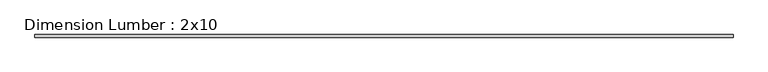
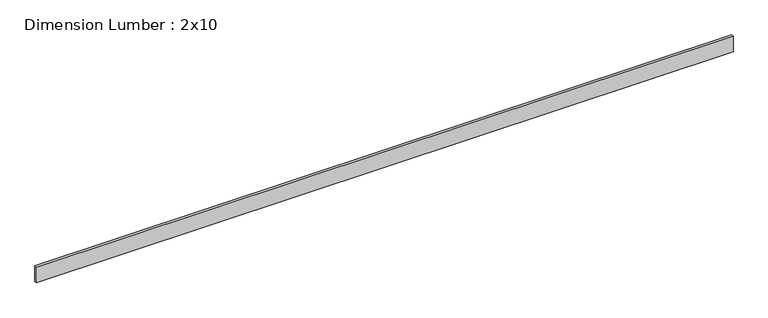
"""IFC4 building model written with IfcOpenShell, lengths in millimetres: beam geometry, Dimension Lumber : 2x10."""

from ifc_helpers import new_model, si_unit, frame, origin, place, context, project, spatial, polyline, outline, extrude, source, transform, mapped, element, save


def dimension_lumber_2x10_973510ad(model_context):
    return source(origin(), model_context, "Body", "SweptSolid", [
        extrude(outline(polyline([(4991.406988, 19.05), (4991.406988, -19.05), (-4991.406988, -19.05), (-4991.406988, 19.05), (4991.406988, 19.05)])), frame((0.0, 0.0, -117.475), z_axis=(0.0, 0.0, 1.0), x_axis=(1.0, 0.0, 0.0)), (0.0, 0.0, 1.0), 234.95),
    ])


if __name__ == "__main__":
    model = new_model("IFC4")
    model_context = context("Model", 3, world=origin())
    ifc_project = project(units=[si_unit("LENGTHUNIT", "METRE", prefix="MILLI")], contexts=[model_context])
    site = spatial("IfcSite", under=ifc_project)
    building = spatial("IfcBuilding", under=site)
    placement = place(None, origin())
    dimension_lumber_2x10_shape = dimension_lumber_2x10_973510ad(model_context)
    element("IfcBeam", 1, ObjectType="Dimension Lumber : 2x10", at=placement, inside=building, context=model_context, shape_type="MappedRepresentation", body=[
        mapped(dimension_lumber_2x10_shape, transform((0.0, 0.0, 0.0), x_axis=(1.0, 0.0, 0.0), y_axis=(0.0, 1.0, 0.0), z_axis=(0.0, 0.0, 1.0))),
    ])
    save(model, "model.ifc")
